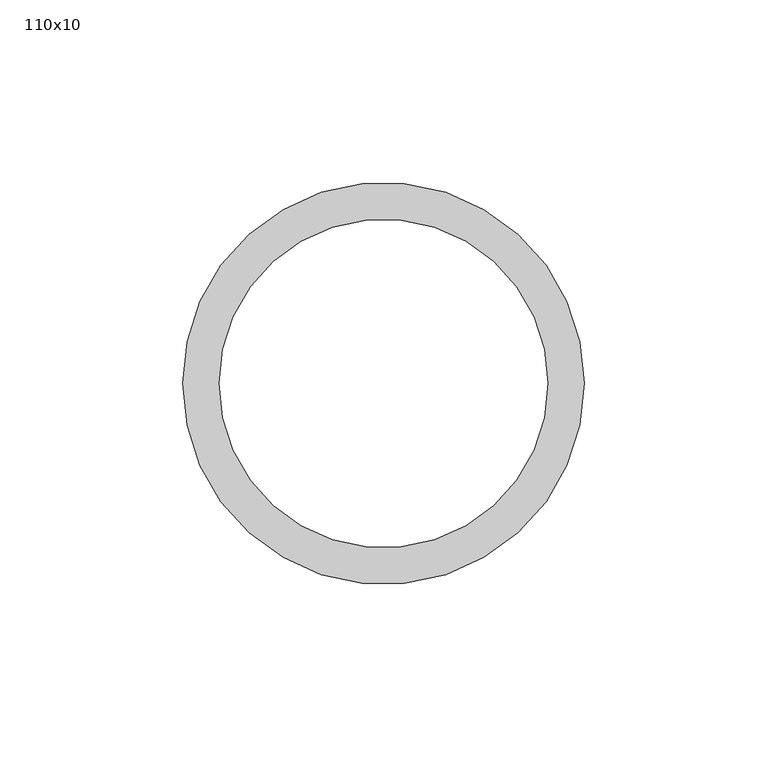
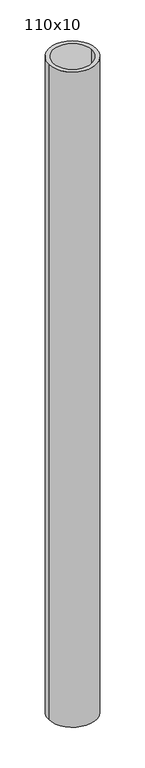
"""IFC4 building model written with IfcOpenShell, lengths in millimetres: column geometry, 110x10."""

from ifc_helpers import new_model, si_unit, point, frame, origin, origin_2d, place, context, project, spatial, circle_curve, trimmed, segment, composite_curve, outline, extrude, source, transform, mapped, element, save


def column_110x10_052dfa0f(model_context):
    return source(origin(), model_context, "Body", "SweptSolid", [
        extrude(outline(composite_curve([segment(trimmed(circle_curve(origin_2d(), 55.0), [point((-55.0, 0.0))], [point((55.0, 0.0))], False, "CARTESIAN"), True, "CONTINUOUS"), segment(trimmed(circle_curve(origin_2d(), 55.0), [point((55.0, 0.0))], [point((-55.0, 0.0))], False, "CARTESIAN"), True, "CONTINUOUS")], self_intersect=False), holes=[composite_curve([segment(trimmed(circle_curve(origin_2d(), 45.0), [point((-45.0, 0.0))], [point((45.0, 0.0))], True, "CARTESIAN"), True, "CONTINUOUS"), segment(trimmed(circle_curve(origin_2d(), 45.0), [point((45.0, 0.0))], [point((-45.0, 0.0))], True, "CARTESIAN"), True, "CONTINUOUS")], self_intersect=False)]), frame((0.0, 0.0, -2486.5), z_axis=(0.0, 0.0, 1.0), x_axis=(1.0, 0.0, 0.0)), (0.0, 0.0, 1.0), 1600.0),
    ])


if __name__ == "__main__":
    model = new_model("IFC4")
    model_context = context("Model", 3, world=origin())
    ifc_project = project(units=[si_unit("LENGTHUNIT", "METRE", prefix="MILLI")], contexts=[model_context])
    site = spatial("IfcSite", under=ifc_project)
    building = spatial("IfcBuilding", under=site)
    placement = place(None, origin())
    column_110x10_shape = column_110x10_052dfa0f(model_context)
    element("IfcColumn", 1, ObjectType="110x10", at=placement, inside=building, context=model_context, shape_type="MappedRepresentation", body=[
        mapped(column_110x10_shape, transform((0.0, 0.0, 0.0), x_axis=(1.0, 0.0, 0.0), y_axis=(0.0, 1.0, 0.0), z_axis=(0.0, 0.0, 1.0))),
    ])
    save(model, "model.ifc")
